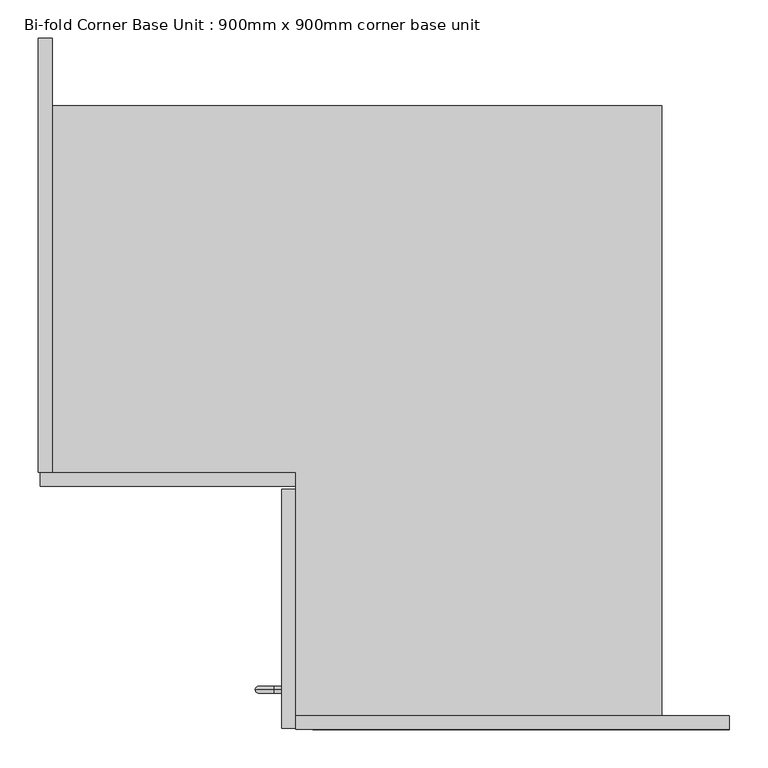
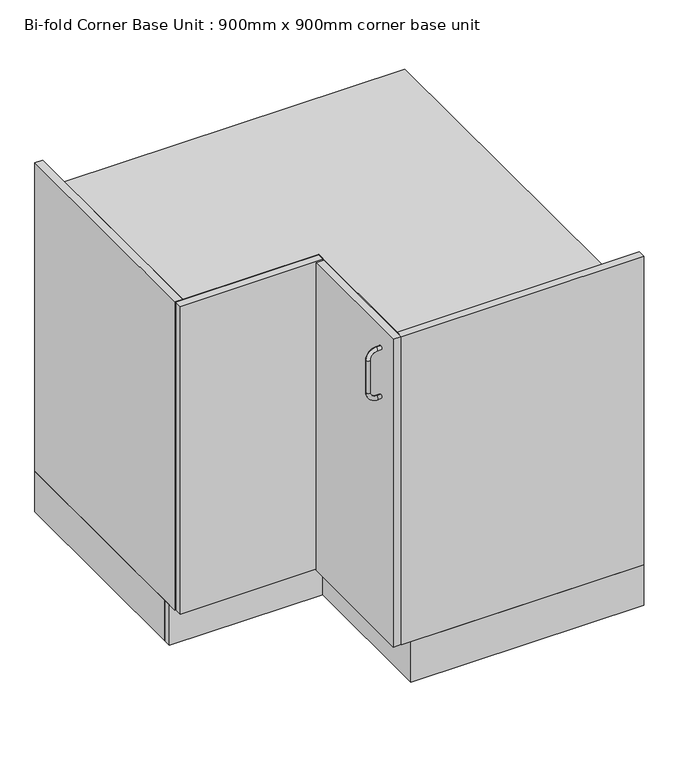
"""IFC4 building model written with IfcOpenShell, lengths in millimetres: furniture geometry, Bi-fold Corner Base Unit : 900mm x 900mm corner base unit."""

import ifcopenshell
import ifcopenshell.guid

model = None  # the IFC model being written
_history = None  # IfcOwnerHistory: only IFC2X3 demands one
_inside = {}  # id of a spatial element -> (the spatial element, [elements in it])
_under = {}  # id of a project, library or spatial element -> (it, [spatial elements below it])
_declared = {}  # id of a project -> (the project, [libraries it declares])
_typed = {}  # id of a type object -> (the type object, [elements of that type])
_made_of = {}  # id of a material, layer set ... -> (it, [elements and type objects made of it])


def new_model(schema):
    """Start an empty IFC model of exactly this schema.

    Asked for "IFC4X3", IfcOpenShell would pick the latest addendum, in which some entities
    have other attributes; the version numbers below select the first issue.
    IFC2X3 requires an IfcOwnerHistory on every rooted entity: one is made here for all.
    """
    global model, _history
    if schema == "IFC4X3":
        model = ifcopenshell.file(schema_version=(4, 3, 0, 0))
    else:
        model = ifcopenshell.file(schema=schema)
    _inside.clear()
    _under.clear()
    _declared.clear()
    _typed.clear()
    _made_of.clear()
    _history = None
    if model.schema == "IFC2X3":
        org = make("IfcOrganization", Name="unknown")
        user = make(
            "IfcPersonAndOrganization",
            ThePerson=make("IfcPerson", FamilyName="unknown"),
            TheOrganization=org,
        )
        app = make(
            "IfcApplication",
            ApplicationDeveloper=org,
            Version="unknown",
            ApplicationFullName="unknown",
            ApplicationIdentifier="unknown",
        )
        _history = make(
            "IfcOwnerHistory",
            OwningUser=user,
            OwningApplication=app,
            ChangeAction="ADDED",
            CreationDate=0,
        )
    return model


def make(cls, **values):
    """One entity of the class cls with the attributes given. An attribute that is None is left unset."""
    return model.create_entity(
        cls, **{name: value for name, value in values.items() if value is not None}
    )


def rooted(cls, **values):
    """An entity with a GlobalId (a new one), such as an element, a storey or a relation."""
    return make(cls, GlobalId=ifcopenshell.guid.new(), OwnerHistory=_history, **values)


def si_unit(unit_type, name, prefix=None):
    """IfcSIUnit, for example si_unit("LENGTHUNIT", "METRE", prefix="MILLI")."""
    return make("IfcSIUnit", UnitType=unit_type, Prefix=prefix, Name=name)


def assignment(units):
    """IfcUnitAssignment: the units of a project."""
    return None if units is None else make("IfcUnitAssignment", Units=units)


def point(xyz):
    """IfcCartesianPoint."""
    return None if xyz is None else make("IfcCartesianPoint", Coordinates=xyz)


def direction(xyz):
    """IfcDirection."""
    return None if xyz is None else make("IfcDirection", DirectionRatios=xyz)


def frame(location, z_axis=None, x_axis=None):
    """IfcAxis2Placement3D, a coordinate frame: its origin and axes. An axis left out is left unset."""
    return make(
        "IfcAxis2Placement3D",
        Location=point(location),
        Axis=direction(z_axis),
        RefDirection=direction(x_axis),
    )


def origin():
    """The frame at (0, 0, 0) with its axes left unset."""
    return frame((0.0, 0.0, 0.0))


def origin_with_axes():
    """The frame at (0, 0, 0) with the z axis (0, 0, 1) and the x axis (1, 0, 0) written out."""
    return frame((0.0, 0.0, 0.0), z_axis=(0.0, 0.0, 1.0), x_axis=(1.0, 0.0, 0.0))


def place(relative_to, where):
    """IfcLocalPlacement: puts the frame where relative to a parent placement (None: the world)."""
    return make(
        "IfcLocalPlacement", PlacementRelTo=relative_to, RelativePlacement=where
    )


def context(
    kind, dimensions, precision=None, world=None, true_north=None, identifier=None
):
    """IfcGeometricRepresentationContext, for example the 3D "Model" context."""
    return make(
        "IfcGeometricRepresentationContext",
        ContextIdentifier=identifier,
        ContextType=kind,
        CoordinateSpaceDimension=dimensions,
        Precision=precision,
        WorldCoordinateSystem=world,
        TrueNorth=true_north,
    )


def project(units=None, contexts=None):
    """IfcProject with its units and contexts."""
    return rooted(
        "IfcProject",
        Name="project",
        RepresentationContexts=contexts,
        UnitsInContext=assignment(units),
    )


def spatial(cls, under=None, at=None, **own):
    """A site, building, storey or space (cls), placed at a placement, below another one or the project."""
    s = rooted(cls, ObjectPlacement=at, **own)
    if under is not None:
        _under.setdefault(under.id(), (under, []))[1].append(s)
    return s


def polyline(points):
    """IfcPolyline through the points."""
    return make("IfcPolyline", Points=[point(p) for p in points])


def circle_curve(where, radius):
    """IfcCircle in the frame where."""
    return make("IfcCircle", Position=where, Radius=radius)


def ellipse_curve(where, semi_axis1, semi_axis2):
    """IfcEllipse in the frame where."""
    return make(
        "IfcEllipse", Position=where, SemiAxis1=semi_axis1, SemiAxis2=semi_axis2
    )


def trimmed(basis, trim1, trim2, sense, master):
    """IfcTrimmedCurve: the piece of a basis curve between two trims."""
    return make(
        "IfcTrimmedCurve",
        BasisCurve=basis,
        Trim1=trim1,
        Trim2=trim2,
        SenseAgreement=sense,
        MasterRepresentation=master,
    )


def outline(outer, holes=None, kind="AREA"):
    """IfcArbitraryClosedProfileDef: a profile drawn as a closed curve; with holes, ...WithVoids."""
    if holes is None:
        return make("IfcArbitraryClosedProfileDef", ProfileType=kind, OuterCurve=outer)
    return make(
        "IfcArbitraryProfileDefWithVoids",
        ProfileType=kind,
        OuterCurve=outer,
        InnerCurves=holes,
    )


def extrude(swept, where, along, depth):
    """IfcExtrudedAreaSolid: the profile swept, set in the frame where, extruded along a direction by depth."""
    return make(
        "IfcExtrudedAreaSolid",
        SweptArea=swept,
        Position=where,
        ExtrudedDirection=direction(along),
        Depth=depth,
    )


def shape(context_of_items, identifier, shape_type, items):
    """IfcShapeRepresentation: the items that make up one representation, for example the "Body"."""
    return make(
        "IfcShapeRepresentation",
        ContextOfItems=context_of_items,
        RepresentationIdentifier=identifier,
        RepresentationType=shape_type,
        Items=items,
    )


def source(mapping_origin, context_of_items, identifier, shape_type, items):
    """IfcRepresentationMap: a shape defined once, which mapped items show again and again."""
    return make(
        "IfcRepresentationMap",
        MappingOrigin=mapping_origin,
        MappedRepresentation=shape(context_of_items, identifier, shape_type, items),
    )


def transform(
    local_origin,
    x_axis=None,
    y_axis=None,
    z_axis=None,
    scale=None,
    scale2=None,
    scale3=None,
    uniform=True,
):
    """IfcCartesianTransformationOperator3D, or its non-uniform kind. x_axis, y_axis, z_axis: its Axis1, 2, 3."""
    if uniform:
        return make(
            "IfcCartesianTransformationOperator3D",
            Axis1=direction(x_axis),
            Axis2=direction(y_axis),
            LocalOrigin=point(local_origin),
            Scale=scale,
            Axis3=direction(z_axis),
        )
    return make(
        "IfcCartesianTransformationOperator3DnonUniform",
        Axis1=direction(x_axis),
        Axis2=direction(y_axis),
        LocalOrigin=point(local_origin),
        Scale=scale,
        Axis3=direction(z_axis),
        Scale2=scale2,
        Scale3=scale3,
    )


def mapped(mapping_source, mapping_target):
    """IfcMappedItem: shows the shape of a source again, moved by a transform."""
    return make(
        "IfcMappedItem", MappingSource=mapping_source, MappingTarget=mapping_target
    )


def made_of(thing, what):
    """Note that an element or type object is made of a material, layer set ...; save() writes the relation."""
    if what is not None:
        _made_of.setdefault(what.id(), (what, []))[1].append(thing)
    return thing


def element(
    cls,
    number,
    at=None,
    inside=None,
    cuts=None,
    type_object=None,
    material=None,
    context=None,
    identifier="Body",
    shape_type=None,
    held_by="IfcProductDefinitionShape",
    body=None,
    shapes=None,
    **own,
):
    """One element of the class cls, such as IfcWall. Its Tag is "e" and its number.

    at: its placement. inside: the storey or other place that contains it. cuts: it is an
    opening in that element (IfcRelVoidsElement). A single representation is given by context,
    identifier, shape_type and body (its items); several are given by shapes. held_by: the class
    of the entity that holds the representations. save() writes the other relations.
    """
    e = rooted(cls, Tag="e%d" % number, ObjectPlacement=at, **own)
    if body is not None:
        shapes = [shape(context, identifier, shape_type, body)]
    if shapes is not None:
        e.Representation = make(held_by, Representations=shapes)
    if inside is not None:
        _inside.setdefault(inside.id(), (inside, []))[1].append(e)
    if cuts is not None:
        rooted(
            "IfcRelVoidsElement", RelatingBuildingElement=cuts, RelatedOpeningElement=e
        )
    if type_object is not None:
        _typed.setdefault(type_object.id(), (type_object, []))[1].append(e)
    return made_of(e, material)


def aggregate(whole, parts):
    """IfcRelAggregates: a whole, such as a stair, and the parts it consists of."""
    return rooted("IfcRelAggregates", RelatingObject=whole, RelatedObjects=parts)


def save(model, path):
    """Write the relations noted so far, then the file.

    IfcRelAggregates (storeys below a building ...), IfcRelContainedInSpatialStructure (elements
    in a storey), IfcRelDefinesByType, IfcRelAssociatesMaterial and IfcRelDeclares: one each for
    every whole, place, type object, material and project.
    """
    for whole, parts in _under.values():
        aggregate(whole, parts)
    for where, things in _inside.values():
        rooted(
            "IfcRelContainedInSpatialStructure",
            RelatedElements=things,
            RelatingStructure=where,
        )
    for kind, things in _typed.values():
        rooted("IfcRelDefinesByType", RelatedObjects=things, RelatingType=kind)
    for what, things in _made_of.values():
        rooted("IfcRelAssociatesMaterial", RelatedObjects=things, RelatingMaterial=what)
    for by, libraries in _declared.values():
        rooted("IfcRelDeclares", RelatingContext=by, RelatedDefinitions=libraries)
    model.write(path)


def plane_surface(at):
    """IfcPlane: the flat surface through the origin of the frame at, square to its z axis."""
    return make("IfcPlane", Position=at)


def cylinder_surface(at, radius):
    """IfcCylindricalSurface: all points at the distance radius from the z axis of the frame at."""
    return make("IfcCylindricalSurface", Position=at, Radius=radius)


def revolved_surface(curve, axis_point, axis_direction):
    """IfcSurfaceOfRevolution: the curve turned about the line through axis_point along axis_direction."""
    return make(
        "IfcSurfaceOfRevolution",
        SweptCurve=make("IfcArbitraryOpenProfileDef", ProfileType="CURVE", Curve=curve),
        AxisPosition=make("IfcAxis1Placement", Location=point(axis_point), Axis=direction(axis_direction)),
    )


def advanced_brep(points, edges, surfaces, faces):
    """IfcAdvancedBrep: a solid bounded by faces that lie on surfaces and meet in shared edges.

    An edge is (start, end): straight between two places in points (the first is 0);
    or (start, end, curve); or (start, end, curve, False) where it runs against its curve.
    A face is (place in surfaces, loops), or (place, loops, False) where it looks against
    its surface's normal. A loop lists edges by number (the first is 1), with a minus sign
    where the edge is run from its end to its start. The first loop is the outer one.
    """
    corners = [point(p) for p in points]
    vertices = [make("IfcVertexPoint", VertexGeometry=c) for c in corners]
    made = []
    for start, end, *more in edges:
        made.append(
            make(
                "IfcEdgeCurve",
                EdgeStart=vertices[start],
                EdgeEnd=vertices[end],
                EdgeGeometry=more[0] if more else make("IfcPolyline", Points=[corners[start], corners[end]]),
                SameSense=more[1] if len(more) > 1 else True,
            )
        )
    hull = []
    for where, loops, *sense in faces:
        bounds = []
        for j, loop in enumerate(loops):
            ring = [make("IfcOrientedEdge", EdgeElement=made[abs(k) - 1], Orientation=k > 0) for k in loop]
            bounds.append(
                make(
                    "IfcFaceOuterBound" if j == 0 else "IfcFaceBound",
                    Bound=make("IfcEdgeLoop", EdgeList=ring),
                    Orientation=True,
                )
            )
        hull.append(make("IfcAdvancedFace", Bounds=bounds, FaceSurface=surfaces[where], SameSense=sense[0] if sense else True))
    return make("IfcAdvancedBrep", Outer=make("IfcClosedShell", CfsFaces=hull))


def bi_fold_corner_base_unit_900mm_x_900mm_corner_base_unit_601de4c6(model_context):
    return source(origin(), model_context, "Body", "SolidModel", [
        advanced_brep(
        [(-88.2996736, -848.0, 812.625), (-88.2996736, -848.0, 803.625), (-98.2996736, -848.0, 812.625), (-98.2996736, -848.0, 803.625), (-113.7996736, -848.0, 788.125), (-122.7996736, -848.0, 788.125), (-122.7996736, -848.0, 708.125), (-113.7996736, -848.0, 708.125), (-98.2996736, -848.0, 692.625), (-98.2996736, -848.0, 683.625), (-88.2996736, -848.0, 683.625), (-88.2996736, -848.0, 692.625)],
        [
            (0, 1, circle_curve(frame((-88.2996736, -848.0, 808.125), z_axis=(1.0, 0.0, 0.0), x_axis=(0.0, 0.0, -1.0)), 4.5)),
            (1, 0, circle_curve(frame((-88.2996736, -848.0, 808.125), z_axis=(1.0, 0.0, 0.0), x_axis=(0.0, 0.0, -1.0)), 4.5)),
            (0, 2),
            (2, 3, circle_curve(frame((-98.2996736, -848.0, 808.125), z_axis=(1.0, 0.0, 0.0), x_axis=(0.0, 0.0, -1.0)), 4.5)),
            (3, 1),
            (3, 2, circle_curve(frame((-98.2996736, -848.0, 808.125), z_axis=(1.0, 0.0, 0.0), x_axis=(0.0, 0.0, -1.0)), 4.5)),
            (4, 3, circle_curve(frame((-98.2996736, -848.0, 788.125), z_axis=(0.0, 1.0, 0.0), x_axis=(0.0, 0.0, 1.0)), 15.5)),
            (2, 5, circle_curve(frame((-98.2996736, -848.0, 788.125), z_axis=(0.0, -1.0, 0.0), x_axis=(0.0, 0.0, 1.0)), 24.5)),
            (5, 4, circle_curve(frame((-118.2996736, -848.0, 788.125), z_axis=(0.0, 0.0, 1.0), x_axis=(1.0000000000000002, 0.0, 0.0)), 4.5)),
            (4, 5, circle_curve(frame((-118.2996736, -848.0, 788.125), z_axis=(0.0, 0.0, 1.0), x_axis=(1.0000000000000002, 0.0, 0.0)), 4.5)),
            (5, 6),
            (6, 7, circle_curve(frame((-118.2996736, -848.0, 708.125), z_axis=(0.0, 0.0, 1.0), x_axis=(1.0000000000000002, 0.0, 0.0)), 4.5)),
            (7, 4),
            (7, 6, circle_curve(frame((-118.2996736, -848.0, 708.125), z_axis=(0.0, 0.0, 1.0), x_axis=(1.0000000000000002, 0.0, 0.0)), 4.5)),
            (8, 7, circle_curve(frame((-98.2996736, -848.0, 708.125), z_axis=(0.0, 1.0, 0.0), x_axis=(-1.0000000000000002, 0.0, 0.0)), 15.5)),
            (6, 9, circle_curve(frame((-98.2996736, -848.0, 708.125), z_axis=(0.0, -1.0, 0.0), x_axis=(-1.0000000000000002, 0.0, 0.0)), 24.5)),
            (9, 8, circle_curve(frame((-98.2996736, -848.0, 688.125), z_axis=(-1.0000000000000002, 0.0, 0.0), x_axis=(0.0, 0.0, 1.0)), 4.5)),
            (8, 9, circle_curve(frame((-98.2996736, -848.0, 688.125), z_axis=(-1.0000000000000002, 0.0, 0.0), x_axis=(0.0, 0.0, 1.0)), 4.5)),
            (10, 11, circle_curve(frame((-88.2996736, -848.0, 688.125), z_axis=(1.0, 0.0, 0.0), x_axis=(0.0, 0.0, 1.0)), 4.5)),
            (11, 10, circle_curve(frame((-88.2996736, -848.0, 688.125), z_axis=(1.0, 0.0, 0.0), x_axis=(0.0, 0.0, 1.0)), 4.5)),
            (9, 10),
            (11, 8),
        ],
        [
            plane_surface(frame((-88.2996736, -848.0, 808.125), z_axis=(1.0, 0.0, 0.0), x_axis=(0.0, -1.0, 0.0))),
            cylinder_surface(frame((-88.2996736, -848.0, 808.125), z_axis=(1.0000000000000002, 0.0, 0.0), x_axis=(0.0, 0.0, -1.0)), 4.5),
            revolved_surface(trimmed(ellipse_curve(frame((-98.2996736, -848.0, 808.125), z_axis=(1.0000000000000002, 0.0, 0.0), x_axis=(0.0, 0.0, -1.0)), 4.5, 4.5), [point((-98.2996736, -848.0, 812.625))], [point((-98.2996736, -848.0, 803.625))], True, "CARTESIAN"), (-98.2996736, -848.0, 788.125), (0.0, -1.0000000000000002, 0.0)),
            revolved_surface(trimmed(ellipse_curve(frame((-98.2996736, -848.0, 808.125), z_axis=(1.0000000000000002, 0.0, 0.0), x_axis=(0.0, 0.0, -1.0)), 4.5, 4.5), [point((-98.2996736, -848.0, 803.625))], [point((-98.2996736, -848.0, 812.625))], True, "CARTESIAN"), (-98.2996736, -848.0, 788.125), (0.0, -1.0000000000000002, 0.0)),
            cylinder_surface(frame((-118.2996736, -848.0, 788.125), z_axis=(0.0, 0.0, 1.0), x_axis=(1.0000000000000002, 0.0, 0.0)), 4.5),
            revolved_surface(trimmed(ellipse_curve(frame((-118.2996736, -848.0, 708.125), z_axis=(0.0, 0.0, 1.0), x_axis=(1.0000000000000002, 0.0, 0.0)), 4.5, 4.5), [point((-122.7996736, -848.0, 708.125))], [point((-113.7996736, -848.0, 708.125))], True, "CARTESIAN"), (-98.2996736, -848.0, 708.125), (0.0, -1.0000000000000002, 0.0)),
            revolved_surface(trimmed(ellipse_curve(frame((-118.2996736, -848.0, 708.125), z_axis=(0.0, 0.0, 1.0), x_axis=(1.0000000000000002, 0.0, 0.0)), 4.5, 4.5), [point((-113.7996736, -848.0, 708.125))], [point((-122.7996736, -848.0, 708.125))], True, "CARTESIAN"), (-98.2996736, -848.0, 708.125), (0.0, -1.0000000000000002, 0.0)),
            plane_surface(frame((-88.2996736, -848.0, 688.125), z_axis=(1.0, 0.0, 0.0), x_axis=(0.0, -1.0, 0.0))),
            cylinder_surface(frame((-98.2996736, -848.0, 688.125), z_axis=(-1.0000000000000002, 0.0, 0.0), x_axis=(0.0, 0.0, 1.0)), 4.5),
        ],
        [
            (0, [[1, 2]]),
            (1, [[-1, 3, 4, 5]]),
            (1, [[-2, -5, 6, -3]]),
            (2, [[7, -4, 8, 9]]),
            (3, [[-8, -6, -7, 10]]),
            (4, [[-9, 11, 12, 13]]),
            (4, [[-10, -13, 14, -11]]),
            (5, [[15, -12, 16, 17]]),
            (6, [[-16, -14, -15, 18]]),
            (7, [[19, 20]]),
            (8, [[-17, 21, -20, 22]]),
            (8, [[-18, -22, -19, -21]]),
        ],
    ),
        extrude(outline(polyline([(-88.2996736, -898.125), (-88.2996736, -587.0), (-70.2996736, -587.0), (-70.2996736, -898.125), (-88.2996736, -898.125)])), frame((0.0, 0.0, 100.0), z_axis=(0.0, 0.0, 1.0), x_axis=(1.0, 0.0, 0.0)), (0.0, 0.0, 1.0), 758.0),
        extrude(outline(polyline([(494.7003264, -900.0), (-70.2996736, -900.0), (-70.2996736, -882.0), (494.7003264, -882.0), (494.7003264, -900.0)])), frame((0.0, 0.0, 100.0), z_axis=(0.0, 0.0, 1.0), x_axis=(1.0, 0.0, 0.0)), (0.0, 0.0, 1.0), 760.0),
        extrude(outline(polyline([(406.7003264, -882.0), (394.7003264, -882.0), (394.7003264, -100.0), (406.7003264, -100.0), (406.7003264, -882.0)])), frame((0.0, 0.0, 118.0), z_axis=(0.0, 0.0, 1.0), x_axis=(1.0, 0.0, 0.0)), (0.0, 0.0, 1.0), 724.0),
        extrude(outline(polyline([(64.9280521, -547.0), (64.9280521, -565.0), (24.4726008, -565.0), (24.4726008, -547.0), (64.9280521, -547.0)])), frame((0.0, 0.0, 118.0), z_axis=(0.0, 0.0, 1.0), x_axis=(1.0, 0.0, 0.0)), (0.0, 0.0, 1.0), 724.0),
        extrude(outline(polyline([(-70.2996736, -583.0), (-402.7996736, -583.0), (-402.7996736, -565.0), (-70.2996736, -565.0), (-70.2996736, -583.0)])), frame((0.0, 0.0, 100.0), z_axis=(0.0, 0.0, 1.0), x_axis=(1.0, 0.0, 0.0)), (0.0, 0.0, 1.0), 758.0),
        extrude(outline(polyline([(406.7003264, -88.0), (406.7003264, -100.0), (-387.2996736, -100.0), (-387.2996736, -88.0), (406.7003264, -88.0)])), frame((0.0, 0.0, 118.0), z_axis=(0.0, 0.0, 1.0), x_axis=(1.0, 0.0, 0.0)), (0.0, 0.0, 1.0), 724.0),
        extrude(outline(polyline([(-387.2996736, 0.0), (-387.2996736, -565.0), (-405.2996736, -565.0), (-405.2996736, 0.0), (-387.2996736, 0.0)])), frame((0.0, 0.0, 100.0), z_axis=(0.0, 0.0, 1.0), x_axis=(1.0, 0.0, 0.0)), (0.0, 0.0, 1.0), 760.0),
        extrude(outline(polyline([(-30.2996736, -525.0), (-30.2996736, -882.0), (494.7003264, -882.0), (494.7003264, -900.0), (-48.2996736, -900.0), (-48.2996736, -543.0), (-405.2996736, -543.0), (-405.2996736, 0.0), (-387.2996736, 0.0), (-387.2996736, -525.0), (-30.2996736, -525.0)])), origin_with_axes(), (0.0, 0.0, 1.0), 100.0),
        extrude(outline(polyline([(-405.2996736, 0.0), (-387.2996736, 0.0), (-387.2996736, -525.0), (-405.2996736, -525.0), (-405.2996736, 0.0)])), origin_with_axes(), (0.0, 0.0, 1.0), 100.0),
        extrude(outline(polyline([(-387.2996736, -88.0), (406.7003264, -88.0), (406.7003264, -882.0), (-70.2996736, -882.0), (-70.2996736, -565.0), (-387.2996736, -565.0), (-387.2996736, -88.0)])), frame((0.0, 0.0, 842.0), z_axis=(0.0, 0.0, 1.0), x_axis=(1.0, 0.0, 0.0)), (0.0, 0.0, 1.0), 18.0),
        extrude(outline(polyline([(-387.2996736, -88.0), (406.7003264, -88.0), (406.7003264, -882.0), (-70.2996736, -882.0), (-70.2996736, -565.0), (-387.2996736, -565.0), (-387.2996736, -88.0)])), frame((0.0, 0.0, 100.0), z_axis=(0.0, 0.0, 1.0), x_axis=(1.0, 0.0, 0.0)), (0.0, 0.0, 1.0), 18.0),
    ])


if __name__ == "__main__":
    model = new_model("IFC4")
    model_context = context("Model", 3, world=origin())
    ifc_project = project(units=[si_unit("LENGTHUNIT", "METRE", prefix="MILLI")], contexts=[model_context])
    site = spatial("IfcSite", under=ifc_project)
    building = spatial("IfcBuilding", under=site)
    placement = place(None, origin())
    bi_fold_corner_base_unit_900mm_x_900mm_corner_base_unit_shape = bi_fold_corner_base_unit_900mm_x_900mm_corner_base_unit_601de4c6(model_context)
    element("IfcFurniture", 1, ObjectType="Bi-fold Corner Base Unit : 900mm x 900mm corner base unit", at=placement, inside=building, context=model_context, shape_type="MappedRepresentation", body=[
        mapped(bi_fold_corner_base_unit_900mm_x_900mm_corner_base_unit_shape, transform((0.0, 0.0, 0.0), x_axis=(1.0, 0.0, 0.0), y_axis=(0.0, 1.0, 0.0), z_axis=(0.0, 0.0, 1.0))),
    ])
    save(model, "model.ifc")
